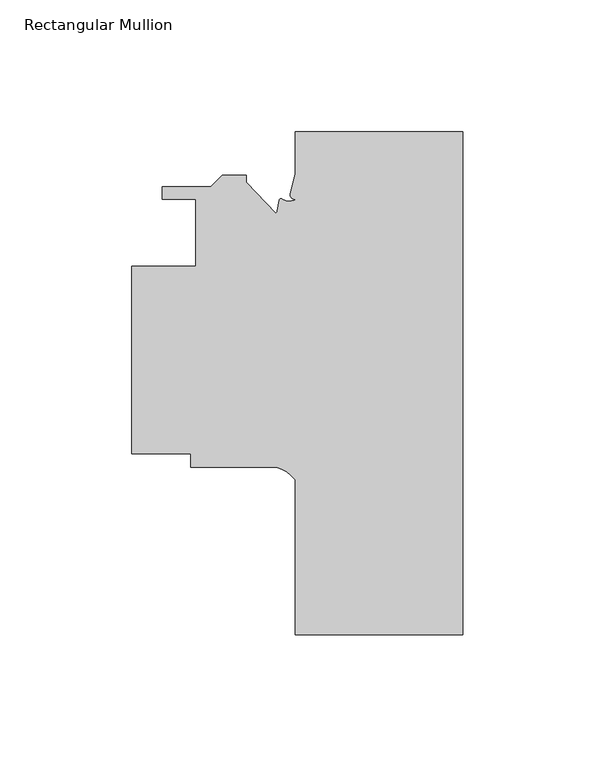
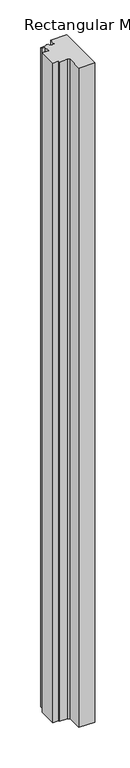
"""IFC4 building model written with IfcOpenShell, lengths in millimetres: member geometry, Rectangular Mullion."""

from ifc_helpers import new_model, si_unit, point, frame, frame_2d, origin, place, context, project, spatial, polyline, circle_curve, trimmed, segment, composite_curve, outline, extrude, source, transform, mapped, element, save


def rectangular_mullion_0e713289(model_context):
    return source(origin(), model_context, "Body", "SweptSolid", [
        extrude(outline(composite_curve([segment(polyline([(0.0, -190.51587), (-63.5, -190.51587), (-63.5, -131.8544398)]), True, "CONTINUOUS"), segment(trimmed(circle_curve(frame_2d((-74.3196816, -140.2466887)), 13.6928942), [point((-63.5, -131.8544398))], [point((-70.7925126, -127.015875))], True, "CARTESIAN"), True, "CONTINUOUS"), segment(polyline([(-70.7925126, -127.015875), (-103.1875, -127.015875), (-103.1875, -121.935875), (-125.4125, -121.935875), (-125.4125, -50.8158752), (-101.2261495, -50.8158752), (-101.2261495, -25.4158751), (-113.9261495, -25.4158751), (-113.9261495, -20.716875), (-95.5436417, -20.716875), (-91.2764417, -16.449675), (-82.1761495, -16.449675), (-82.1761495, -18.989675), (-70.9271938, -30.8010785)]), True, "CONTINUOUS"), segment(trimmed(circle_curve(frame_2d((-71.57951, -29.7114072)), 1.27), [point((-70.9271938, -30.8010785))], [point((-70.3288042, -29.9319404))], True, "CARTESIAN"), True, "CONTINUOUS"), segment(polyline([(-70.3288042, -29.9319404), (-69.6065197, -25.8356617)]), True, "CONTINUOUS"), segment(trimmed(circle_curve(frame_2d((-68.9520165, -25.9510683)), 0.6646), [point((-69.6065197, -25.8356617))], [point((-68.4112898, -25.5646648))], False, "CARTESIAN"), True, "CONTINUOUS"), segment(trimmed(circle_curve(frame_2d((-65.8789329, -21.1719889)), 5.0703484), [point((-68.4112898, -25.5646648))], [point((-63.1032166, -25.4150811))], True, "CARTESIAN"), True, "CONTINUOUS"), segment(trimmed(circle_curve(frame_2d((-63.7177818, -23.7497563)), 1.7751048), [point((-63.1032166, -25.4150811))], [point((-65.4838481, -23.5708508))], False, "CARTESIAN"), True, "CONTINUOUS"), segment(polyline([(-65.4838481, -23.5708508), (-63.5, -15.8907773), (-63.5, 0.0), (0.0, 0.0), (0.0, -190.51587)]), True, "CONTINUOUS")], self_intersect=False)), frame((0.0, 0.0, -2743.2), z_axis=(0.0, 0.0, 1.0), x_axis=(1.0, 0.0, 0.0)), (0.0, 0.0, 1.0), 2743.2),
    ])


if __name__ == "__main__":
    model = new_model("IFC4")
    model_context = context("Model", 3, world=origin())
    ifc_project = project(units=[si_unit("LENGTHUNIT", "METRE", prefix="MILLI")], contexts=[model_context])
    site = spatial("IfcSite", under=ifc_project)
    building = spatial("IfcBuilding", under=site)
    placement = place(None, origin())
    rectangular_mullion_shape = rectangular_mullion_0e713289(model_context)
    element("IfcMember", 1, ObjectType="Rectangular Mullion", at=placement, inside=building, context=model_context, shape_type="MappedRepresentation", body=[
        mapped(rectangular_mullion_shape, transform((0.0, 0.0, 0.0), x_axis=(1.0, 0.0, 0.0), y_axis=(0.0, 1.0, 0.0), z_axis=(0.0, 0.0, 1.0))),
    ])
    save(model, "model.ifc")
